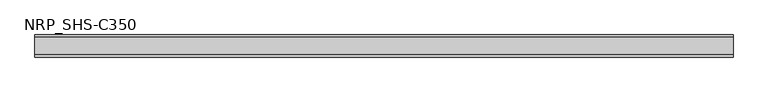
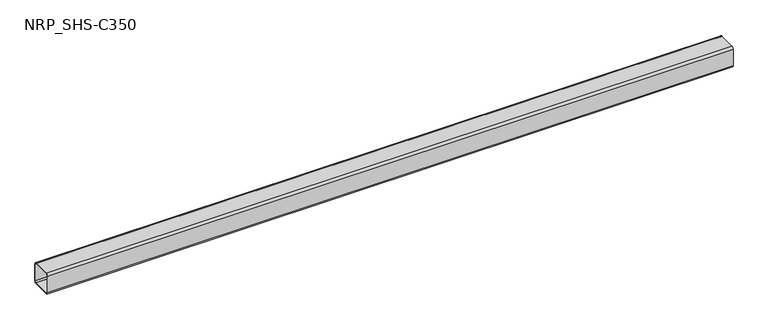
"""IFC4 building model written with IfcOpenShell, lengths in millimetres: member geometry, NRP_SHS-C350."""

import ifcopenshell
import ifcopenshell.guid

model = None  # the IFC model being written
_history = None  # IfcOwnerHistory: only IFC2X3 demands one
_inside = {}  # id of a spatial element -> (the spatial element, [elements in it])
_under = {}  # id of a project, library or spatial element -> (it, [spatial elements below it])
_declared = {}  # id of a project -> (the project, [libraries it declares])
_typed = {}  # id of a type object -> (the type object, [elements of that type])
_made_of = {}  # id of a material, layer set ... -> (it, [elements and type objects made of it])


def new_model(schema):
    """Start an empty IFC model of exactly this schema.

    Asked for "IFC4X3", IfcOpenShell would pick the latest addendum, in which some entities
    have other attributes; the version numbers below select the first issue.
    IFC2X3 requires an IfcOwnerHistory on every rooted entity: one is made here for all.
    """
    global model, _history
    if schema == "IFC4X3":
        model = ifcopenshell.file(schema_version=(4, 3, 0, 0))
    else:
        model = ifcopenshell.file(schema=schema)
    _inside.clear()
    _under.clear()
    _declared.clear()
    _typed.clear()
    _made_of.clear()
    _history = None
    if model.schema == "IFC2X3":
        org = make("IfcOrganization", Name="unknown")
        user = make(
            "IfcPersonAndOrganization",
            ThePerson=make("IfcPerson", FamilyName="unknown"),
            TheOrganization=org,
        )
        app = make(
            "IfcApplication",
            ApplicationDeveloper=org,
            Version="unknown",
            ApplicationFullName="unknown",
            ApplicationIdentifier="unknown",
        )
        _history = make(
            "IfcOwnerHistory",
            OwningUser=user,
            OwningApplication=app,
            ChangeAction="ADDED",
            CreationDate=0,
        )
    return model


def make(cls, **values):
    """One entity of the class cls with the attributes given. An attribute that is None is left unset."""
    return model.create_entity(
        cls, **{name: value for name, value in values.items() if value is not None}
    )


def rooted(cls, **values):
    """An entity with a GlobalId (a new one), such as an element, a storey or a relation."""
    return make(cls, GlobalId=ifcopenshell.guid.new(), OwnerHistory=_history, **values)


def si_unit(unit_type, name, prefix=None):
    """IfcSIUnit, for example si_unit("LENGTHUNIT", "METRE", prefix="MILLI")."""
    return make("IfcSIUnit", UnitType=unit_type, Prefix=prefix, Name=name)


def assignment(units):
    """IfcUnitAssignment: the units of a project."""
    return None if units is None else make("IfcUnitAssignment", Units=units)


def point(xyz):
    """IfcCartesianPoint."""
    return None if xyz is None else make("IfcCartesianPoint", Coordinates=xyz)


def direction(xyz):
    """IfcDirection."""
    return None if xyz is None else make("IfcDirection", DirectionRatios=xyz)


def frame(location, z_axis=None, x_axis=None):
    """IfcAxis2Placement3D, a coordinate frame: its origin and axes. An axis left out is left unset."""
    return make(
        "IfcAxis2Placement3D",
        Location=point(location),
        Axis=direction(z_axis),
        RefDirection=direction(x_axis),
    )


def frame_2d(location, x_axis=None):
    """IfcAxis2Placement2D, a coordinate frame in the plane: its origin and x axis."""
    return make(
        "IfcAxis2Placement2D", Location=point(location), RefDirection=direction(x_axis)
    )


def origin():
    """The frame at (0, 0, 0) with its axes left unset."""
    return frame((0.0, 0.0, 0.0))


def place(relative_to, where):
    """IfcLocalPlacement: puts the frame where relative to a parent placement (None: the world)."""
    return make(
        "IfcLocalPlacement", PlacementRelTo=relative_to, RelativePlacement=where
    )


def context(
    kind, dimensions, precision=None, world=None, true_north=None, identifier=None
):
    """IfcGeometricRepresentationContext, for example the 3D "Model" context."""
    return make(
        "IfcGeometricRepresentationContext",
        ContextIdentifier=identifier,
        ContextType=kind,
        CoordinateSpaceDimension=dimensions,
        Precision=precision,
        WorldCoordinateSystem=world,
        TrueNorth=true_north,
    )


def project(units=None, contexts=None):
    """IfcProject with its units and contexts."""
    return rooted(
        "IfcProject",
        Name="project",
        RepresentationContexts=contexts,
        UnitsInContext=assignment(units),
    )


def spatial(cls, under=None, at=None, **own):
    """A site, building, storey or space (cls), placed at a placement, below another one or the project."""
    s = rooted(cls, ObjectPlacement=at, **own)
    if under is not None:
        _under.setdefault(under.id(), (under, []))[1].append(s)
    return s


def polyline(points):
    """IfcPolyline through the points."""
    return make("IfcPolyline", Points=[point(p) for p in points])


def circle_curve(where, radius):
    """IfcCircle in the frame where."""
    return make("IfcCircle", Position=where, Radius=radius)


def trimmed(basis, trim1, trim2, sense, master):
    """IfcTrimmedCurve: the piece of a basis curve between two trims."""
    return make(
        "IfcTrimmedCurve",
        BasisCurve=basis,
        Trim1=trim1,
        Trim2=trim2,
        SenseAgreement=sense,
        MasterRepresentation=master,
    )


def segment(curve, same_sense, transition):
    """IfcCompositeCurveSegment."""
    return make(
        "IfcCompositeCurveSegment",
        Transition=transition,
        SameSense=same_sense,
        ParentCurve=curve,
    )


def composite_curve(segments, self_intersect=None):
    """IfcCompositeCurve: segments joined end to end."""
    return make("IfcCompositeCurve", Segments=segments, SelfIntersect=self_intersect)


def outline(outer, holes=None, kind="AREA"):
    """IfcArbitraryClosedProfileDef: a profile drawn as a closed curve; with holes, ...WithVoids."""
    if holes is None:
        return make("IfcArbitraryClosedProfileDef", ProfileType=kind, OuterCurve=outer)
    return make(
        "IfcArbitraryProfileDefWithVoids",
        ProfileType=kind,
        OuterCurve=outer,
        InnerCurves=holes,
    )


def extrude(swept, where, along, depth):
    """IfcExtrudedAreaSolid: the profile swept, set in the frame where, extruded along a direction by depth."""
    return make(
        "IfcExtrudedAreaSolid",
        SweptArea=swept,
        Position=where,
        ExtrudedDirection=direction(along),
        Depth=depth,
    )


def shape(context_of_items, identifier, shape_type, items):
    """IfcShapeRepresentation: the items that make up one representation, for example the "Body"."""
    return make(
        "IfcShapeRepresentation",
        ContextOfItems=context_of_items,
        RepresentationIdentifier=identifier,
        RepresentationType=shape_type,
        Items=items,
    )


def source(mapping_origin, context_of_items, identifier, shape_type, items):
    """IfcRepresentationMap: a shape defined once, which mapped items show again and again."""
    return make(
        "IfcRepresentationMap",
        MappingOrigin=mapping_origin,
        MappedRepresentation=shape(context_of_items, identifier, shape_type, items),
    )


def transform(
    local_origin,
    x_axis=None,
    y_axis=None,
    z_axis=None,
    scale=None,
    scale2=None,
    scale3=None,
    uniform=True,
):
    """IfcCartesianTransformationOperator3D, or its non-uniform kind. x_axis, y_axis, z_axis: its Axis1, 2, 3."""
    if uniform:
        return make(
            "IfcCartesianTransformationOperator3D",
            Axis1=direction(x_axis),
            Axis2=direction(y_axis),
            LocalOrigin=point(local_origin),
            Scale=scale,
            Axis3=direction(z_axis),
        )
    return make(
        "IfcCartesianTransformationOperator3DnonUniform",
        Axis1=direction(x_axis),
        Axis2=direction(y_axis),
        LocalOrigin=point(local_origin),
        Scale=scale,
        Axis3=direction(z_axis),
        Scale2=scale2,
        Scale3=scale3,
    )


def mapped(mapping_source, mapping_target):
    """IfcMappedItem: shows the shape of a source again, moved by a transform."""
    return make(
        "IfcMappedItem", MappingSource=mapping_source, MappingTarget=mapping_target
    )


def made_of(thing, what):
    """Note that an element or type object is made of a material, layer set ...; save() writes the relation."""
    if what is not None:
        _made_of.setdefault(what.id(), (what, []))[1].append(thing)
    return thing


def element(
    cls,
    number,
    at=None,
    inside=None,
    cuts=None,
    type_object=None,
    material=None,
    context=None,
    identifier="Body",
    shape_type=None,
    held_by="IfcProductDefinitionShape",
    body=None,
    shapes=None,
    **own,
):
    """One element of the class cls, such as IfcWall. Its Tag is "e" and its number.

    at: its placement. inside: the storey or other place that contains it. cuts: it is an
    opening in that element (IfcRelVoidsElement). A single representation is given by context,
    identifier, shape_type and body (its items); several are given by shapes. held_by: the class
    of the entity that holds the representations. save() writes the other relations.
    """
    e = rooted(cls, Tag="e%d" % number, ObjectPlacement=at, **own)
    if body is not None:
        shapes = [shape(context, identifier, shape_type, body)]
    if shapes is not None:
        e.Representation = make(held_by, Representations=shapes)
    if inside is not None:
        _inside.setdefault(inside.id(), (inside, []))[1].append(e)
    if cuts is not None:
        rooted(
            "IfcRelVoidsElement", RelatingBuildingElement=cuts, RelatedOpeningElement=e
        )
    if type_object is not None:
        _typed.setdefault(type_object.id(), (type_object, []))[1].append(e)
    return made_of(e, material)


def aggregate(whole, parts):
    """IfcRelAggregates: a whole, such as a stair, and the parts it consists of."""
    return rooted("IfcRelAggregates", RelatingObject=whole, RelatedObjects=parts)


def save(model, path):
    """Write the relations noted so far, then the file.

    IfcRelAggregates (storeys below a building ...), IfcRelContainedInSpatialStructure (elements
    in a storey), IfcRelDefinesByType, IfcRelAssociatesMaterial and IfcRelDeclares: one each for
    every whole, place, type object, material and project.
    """
    for whole, parts in _under.values():
        aggregate(whole, parts)
    for where, things in _inside.values():
        rooted(
            "IfcRelContainedInSpatialStructure",
            RelatedElements=things,
            RelatingStructure=where,
        )
    for kind, things in _typed.values():
        rooted("IfcRelDefinesByType", RelatedObjects=things, RelatingType=kind)
    for what, things in _made_of.values():
        rooted("IfcRelAssociatesMaterial", RelatedObjects=things, RelatingMaterial=what)
    for by, libraries in _declared.values():
        rooted("IfcRelDeclares", RelatingContext=by, RelatedDefinitions=libraries)
    model.write(path)


def nrp_shs_c350_41196b23(model_context):
    return source(origin(), model_context, "Body", "SweptSolid", [
        extrude(outline(composite_curve([segment(trimmed(circle_curve(frame_2d((-35.75, 35.75)), 8.75), [point((-44.5, 35.75))], [point((-35.75, 44.5))], False, "CARTESIAN"), True, "CONTINUOUS"), segment(polyline([(-35.75, 44.5), (35.75, 44.5)]), True, "CONTINUOUS"), segment(trimmed(circle_curve(frame_2d((35.75, 35.75)), 8.75), [point((35.75, 44.5))], [point((44.5, 35.75))], False, "CARTESIAN"), True, "CONTINUOUS"), segment(polyline([(44.5, 35.75), (44.5, -35.75)]), True, "CONTINUOUS"), segment(trimmed(circle_curve(frame_2d((35.75, -35.75)), 8.75), [point((44.5, -35.75))], [point((35.75, -44.5))], False, "CARTESIAN"), True, "CONTINUOUS"), segment(polyline([(35.75, -44.5), (-35.75, -44.5)]), True, "CONTINUOUS"), segment(trimmed(circle_curve(frame_2d((-35.75, -35.75)), 8.75), [point((-35.75, -44.5))], [point((-44.5, -35.75))], False, "CARTESIAN"), True, "CONTINUOUS"), segment(polyline([(-44.5, -35.75), (-44.5, 35.75)]), True, "CONTINUOUS")], self_intersect=False), holes=[composite_curve([segment(polyline([(35.75, 41.0), (-35.75, 41.0)]), True, "CONTINUOUS"), segment(trimmed(circle_curve(frame_2d((-35.75, 35.75)), 5.25), [point((-35.75, 41.0))], [point((-41.0, 35.75))], True, "CARTESIAN"), True, "CONTINUOUS"), segment(polyline([(-41.0, 35.75), (-41.0, -35.75)]), True, "CONTINUOUS"), segment(trimmed(circle_curve(frame_2d((-35.75, -35.75)), 5.25), [point((-41.0, -35.75))], [point((-35.75, -41.0))], True, "CARTESIAN"), True, "CONTINUOUS"), segment(polyline([(-35.75, -41.0), (35.75, -41.0)]), True, "CONTINUOUS"), segment(trimmed(circle_curve(frame_2d((35.75, -35.75)), 5.25), [point((35.75, -41.0))], [point((41.0, -35.75))], True, "CARTESIAN"), True, "CONTINUOUS"), segment(polyline([(41.0, -35.75), (41.0, 35.75)]), True, "CONTINUOUS"), segment(trimmed(circle_curve(frame_2d((35.75, 35.75)), 5.25), [point((41.0, 35.75))], [point((35.75, 41.0))], True, "CARTESIAN"), True, "CONTINUOUS")], self_intersect=False)]), frame((-1374.5, 0.0, 0.0), z_axis=(1.0, 0.0, 0.0), x_axis=(0.0, 1.0, 0.0)), (0.0, 0.0, 1.0), 2812.0),
    ])


if __name__ == "__main__":
    model = new_model("IFC4")
    model_context = context("Model", 3, world=origin())
    ifc_project = project(units=[si_unit("LENGTHUNIT", "METRE", prefix="MILLI")], contexts=[model_context])
    site = spatial("IfcSite", under=ifc_project)
    building = spatial("IfcBuilding", under=site)
    placement = place(None, origin())
    nrp_shs_c350_shape = nrp_shs_c350_41196b23(model_context)
    element("IfcMember", 1, ObjectType="NRP_SHS-C350", at=placement, inside=building, context=model_context, shape_type="MappedRepresentation", body=[
        mapped(nrp_shs_c350_shape, transform((0.0, 0.0, 0.0), x_axis=(1.0, 0.0, 0.0), y_axis=(0.0, 1.0, 0.0), z_axis=(0.0, 0.0, 1.0))),
    ])
    save(model, "model.ifc")
